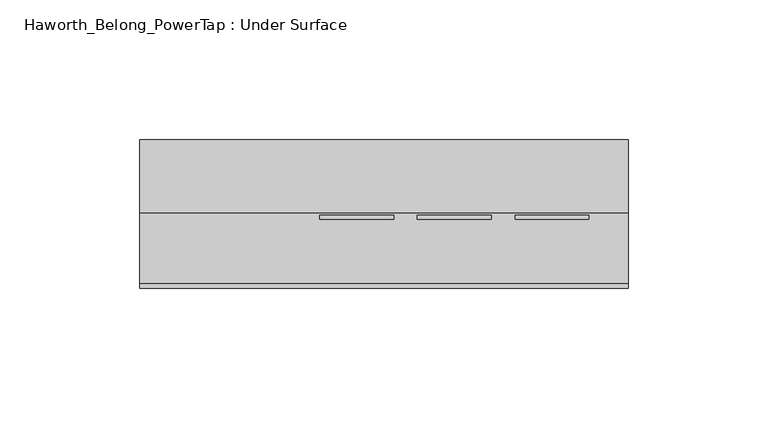
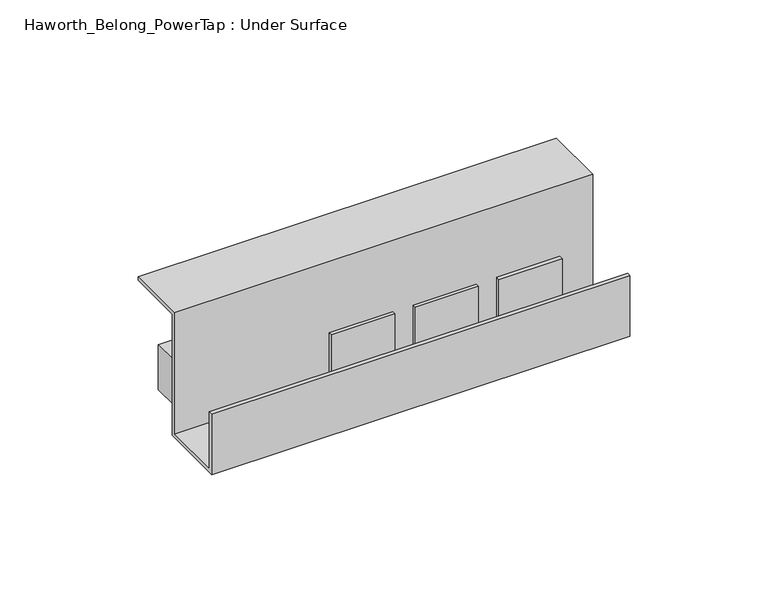
"""IFC4 building model written with IfcOpenShell, lengths in millimetres: furniture geometry, Haworth_Belong_PowerTap : Under Surface."""

from ifc_helpers import new_model, si_unit, frame, origin, place, context, project, spatial, polyline, outline, extrude, source, transform, mapped, element, save


def haworth_belong_powertap_under_surface_0f559402(model_context):
    return source(origin(), model_context, "Body", "SweptSolid", [
        extrude(outline(polyline([(243.2966011, -4.0266021), (243.2966011, -25.4), (84.8272049, -25.4), (84.8272049, -4.0266021), (243.2966011, -4.0266021)])), frame((0.0, 0.0, 677.8625), z_axis=(0.0, 0.0, 1.0), x_axis=(1.0, 0.0, 0.0)), (0.0, 0.0, 1.0), 19.84375),
        extrude(outline(polyline([(168.5163029, -30.026522), (142.1003032, -30.026522), (142.1003032, -28.4734), (168.5163029, -28.4734), (168.5163029, -30.026522)])), frame((0.0, 0.0, 677.8625), z_axis=(0.0, 0.0, 1.0), x_axis=(1.0, 0.0, 0.0)), (0.0, 0.0, 1.0), 19.84375),
        extrude(outline(polyline([(203.4413037, -30.026522), (177.0253028, -30.026522), (177.0253028, -28.4734), (203.4413037, -28.4734), (203.4413037, -30.026522)])), frame((0.0, 0.0, 677.8625), z_axis=(0.0, 0.0, 1.0), x_axis=(1.0, 0.0, 0.0)), (0.0, 0.0, 1.0), 19.84375),
        extrude(outline(polyline([(238.3663022, -30.026522), (211.9503047, -30.026522), (211.9503047, -28.4734), (238.3663022, -28.4734), (238.3663022, -30.026522)])), frame((0.0, 0.0, 677.8625), z_axis=(0.0, 0.0, 1.0), x_axis=(1.0, 0.0, 0.0)), (0.0, 0.0, 1.0), 19.84375),
        extrude(outline(polyline([(-54.6238259, 673.4683006), (-54.6238259, 700.1954513), (-53.0363259, 700.1954513), (-53.0363259, 675.0558006), (-27.7379259, 675.0558006), (-27.7379259, 728.6625), (-1.5875, 728.6625), (-1.5875, 727.075), (-26.1504259, 727.075), (-26.1504259, 673.4683006), (-54.6238259, 673.4683006)])), frame((77.7875, 0.0, 0.0), z_axis=(1.0, 0.0, 0.0), x_axis=(0.0, 1.0, 0.0)), (0.0, 0.0, 1.0), 174.625),
    ])


if __name__ == "__main__":
    model = new_model("IFC4")
    model_context = context("Model", 3, world=origin())
    ifc_project = project(units=[si_unit("LENGTHUNIT", "METRE", prefix="MILLI")], contexts=[model_context])
    site = spatial("IfcSite", under=ifc_project)
    building = spatial("IfcBuilding", under=site)
    placement = place(None, origin())
    haworth_belong_powertap_under_surface_shape = haworth_belong_powertap_under_surface_0f559402(model_context)
    element("IfcFurniture", 1, ObjectType="Haworth_Belong_PowerTap : Under Surface", at=placement, inside=building, context=model_context, shape_type="MappedRepresentation", body=[
        mapped(haworth_belong_powertap_under_surface_shape, transform((0.0, 0.0, 0.0), x_axis=(1.0, 0.0, 0.0), y_axis=(0.0, 1.0, 0.0), z_axis=(0.0, 0.0, 1.0))),
    ])
    save(model, "model.ifc")
